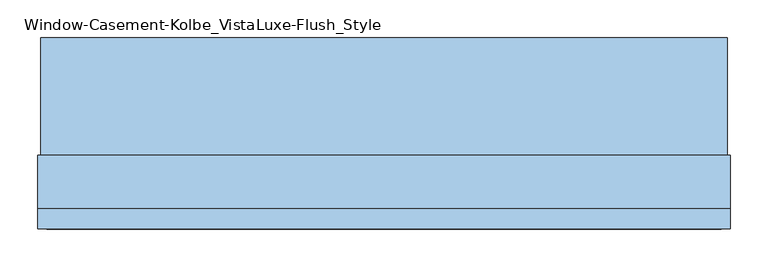
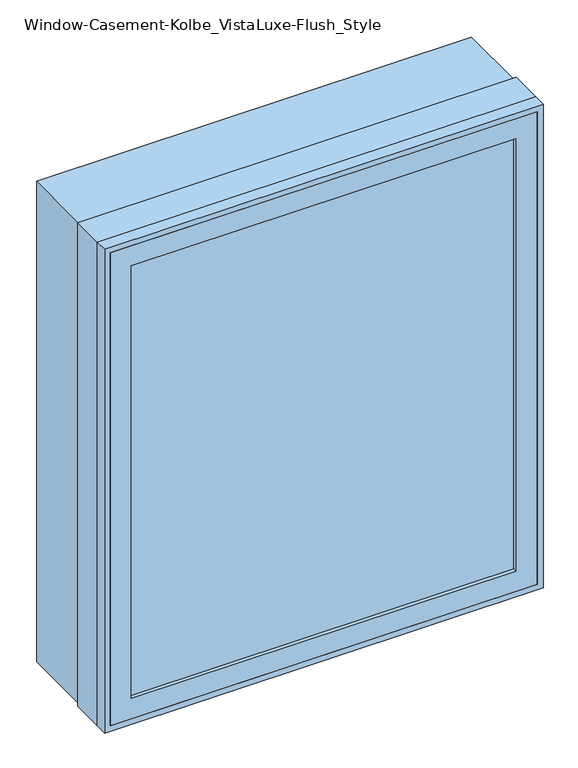
"""IFC4 building model written with IfcOpenShell, lengths in millimetres: window geometry, Window-Casement-Kolbe_VistaLuxe-Flush_Style."""

from ifc_helpers import new_model, si_unit, frame, origin, place, context, project, spatial, polyline, outline, extrude, faceted_brep, source, transform, mapped, element, save


def window_casement_kolbe_vistaluxe_flush_style_159678a5(model_context):
    return source(origin(), model_context, "Body", "SolidModel", [
        faceted_brep([(-406.4696599, -130.90398, 970.676875), (-406.4696599, -138.84148, 970.676875), (395.3765901, -138.84148, 970.676875), (395.3765901, -130.90398, 970.676875), (-422.3446599, -108.65358, 954.801875), (-422.3446599, -130.90398, 954.801875), (411.2515901, -130.90398, 954.801875), (411.2515901, -108.65358, 954.801875), (-406.4696599, -89.62898, 970.676875), (-406.4696599, -108.65358, 970.676875), (395.3765901, -108.65358, 970.676875), (395.3765901, -89.62898, 970.676875), (-450.9196599, -138.84148, 926.226875), (-450.9196599, -89.62898, 926.226875), (439.8265901, -89.62898, 926.226875), (439.8265901, -138.84148, 926.226875), (395.3765901, -138.84148, 1924.923125), (395.3765901, -130.90398, 1924.923125), (411.2515901, -130.90398, 1940.798125), (411.2515901, -108.65358, 1940.798125), (395.3765901, -108.65358, 1924.923125), (395.3765901, -89.62898, 1924.923125), (439.8265901, -89.62898, 1969.373125), (439.8265901, -138.84148, 1969.373125), (-406.4696599, -138.84148, 1924.923125), (-406.4696599, -130.90398, 1924.923125), (-422.3446599, -130.90398, 1940.798125), (-422.3446599, -108.65358, 1940.798125), (-406.4696599, -108.65358, 1924.923125), (-406.4696599, -89.62898, 1924.923125), (-450.9196599, -89.62898, 1969.373125), (-450.9196599, -138.84148, 1969.373125)], [[[0, 1, 2, 3]], [[4, 5, 6, 7]], [[8, 9, 10, 11]], [[12, 13, 14, 15]], [[3, 2, 16, 17]], [[7, 6, 18, 19]], [[11, 10, 20, 21]], [[15, 14, 22, 23]], [[17, 16, 24, 25]], [[19, 18, 26, 27]], [[21, 20, 28, 29]], [[23, 22, 30, 31]], [[25, 24, 1, 0]], [[5, 26, 18, 6], [3, 17, 25, 0]], [[27, 26, 5, 4]], [[7, 19, 27, 4], [9, 28, 20, 10]], [[29, 28, 9, 8]], [[13, 30, 22, 14], [11, 21, 29, 8]], [[31, 30, 13, 12]], [[15, 23, 31, 12], [1, 24, 16, 2]]]),
        extrude(outline(polyline([(1977.6186, 448.0720651), (1977.6186, -459.1651349), (917.9814, -459.1651349), (917.9814, 448.0720651), (1977.6186, 448.0720651)]), holes=[polyline([(936.545625, 429.5078401), (936.545625, -440.6009099), (1959.054375, -440.6009099), (1959.054375, 429.5078401), (936.545625, 429.5078401)])]), frame((0.0, -42.0497, 0.0), z_axis=(0.0, 1.0, 0.0), x_axis=(0.0, 0.0, 1.0)), (0.0, 0.0, 1.0), 154.7622),
        extrude(outline(polyline([(1981.2, -462.7465349), (914.4, -462.7465349), (914.4, 451.6534651), (1981.2, 451.6534651), (1981.2, -462.7465349)]), holes=[polyline([(1969.373125, 439.8265901), (926.226875, 439.8265901), (926.226875, -450.9196599), (1969.373125, -450.9196599), (1969.373125, 439.8265901)])]), frame((0.0, -139.6365, 0.0), z_axis=(0.0, 1.0, 0.0), x_axis=(0.0, 0.0, 1.0)), (0.0, 0.0, 1.0), 26.924),
        faceted_brep([(451.6534651, -42.0497, 914.4), (451.6534651, -112.7125, 914.4), (-462.7465349, -112.7125, 914.4), (-462.7465349, -42.0497, 914.4), (429.5078401, -89.63025, 936.545625), (429.5078401, -42.0497, 936.545625), (-440.6009099, -42.0497, 936.545625), (-440.6009099, -89.63025, 936.545625), (439.8265901, -112.7125, 926.226875), (439.8265901, -89.63025, 926.226875), (-450.9196599, -89.63025, 926.226875), (-450.9196599, -112.7125, 926.226875), (-462.7465349, -112.7125, 1981.2), (-462.7465349, -42.0497, 1981.2), (-440.6009099, -42.0497, 1959.054375), (-440.6009099, -89.63025, 1959.054375), (-450.9196599, -89.63025, 1969.373125), (-450.9196599, -112.7125, 1969.373125), (451.6534651, -112.7125, 1981.2), (451.6534651, -42.0497, 1981.2), (429.5078401, -42.0497, 1959.054375), (429.5078401, -89.63025, 1959.054375), (439.8265901, -89.63025, 1969.373125), (439.8265901, -112.7125, 1969.373125)], [[[0, 1, 2, 3]], [[4, 5, 6, 7]], [[8, 9, 10, 11]], [[3, 2, 12, 13]], [[7, 6, 14, 15]], [[11, 10, 16, 17]], [[13, 12, 18, 19]], [[15, 14, 20, 21]], [[17, 16, 22, 23]], [[19, 18, 1, 0]], [[3, 13, 19, 0], [5, 20, 14, 6]], [[21, 20, 5, 4]], [[9, 22, 16, 10], [7, 15, 21, 4]], [[23, 22, 9, 8]], [[1, 18, 12, 2], [11, 17, 23, 8]]]),
        extrude(outline(polyline([(408.0765901, -111.82858), (-419.1696599, -111.82858), (-419.1696599, -108.65358), (408.0765901, -108.65358), (408.0765901, -111.82858)])), frame((0.0, 0.0, 957.976875), z_axis=(0.0, 0.0, 1.0), x_axis=(1.0, 0.0, 0.0)), (0.0, 0.0, 1.0), 979.64625),
        extrude(outline(polyline([(408.0765901, -127.72898), (408.0765901, -130.90398), (-419.1696599, -130.90398), (-419.1696599, -127.72898), (408.0765901, -127.72898)])), frame((0.0, 0.0, 957.976875), z_axis=(0.0, 0.0, 1.0), x_axis=(1.0, 0.0, 0.0)), (0.0, 0.0, 1.0), 979.64625),
        extrude(outline(polyline([(936.545625, 429.5078401), (1959.054375, 429.5078401), (1959.054375, -440.6009099), (936.545625, -440.6009099), (936.545625, 429.5078401)]), holes=[polyline([(954.801875, -422.3446599), (1940.798125, -422.3446599), (1940.798125, 411.2515901), (954.801875, 411.2515901), (954.801875, -422.3446599)])]), frame((0.0, -89.63025, 0.0), z_axis=(0.0, 1.0, 0.0), x_axis=(0.0, 0.0, 1.0)), (0.0, 0.0, 1.0), 50.8),
    ])


if __name__ == "__main__":
    model = new_model("IFC4")
    model_context = context("Model", 3, world=origin())
    ifc_project = project(units=[si_unit("LENGTHUNIT", "METRE", prefix="MILLI")], contexts=[model_context])
    site = spatial("IfcSite", under=ifc_project)
    building = spatial("IfcBuilding", under=site)
    placement = place(None, origin())
    window_casement_kolbe_vistaluxe_flush_style_shape = window_casement_kolbe_vistaluxe_flush_style_159678a5(model_context)
    element("IfcWindow", 1, ObjectType="Window-Casement-Kolbe_VistaLuxe-Flush_Style", at=placement, inside=building, context=model_context, shape_type="MappedRepresentation", body=[
        mapped(window_casement_kolbe_vistaluxe_flush_style_shape, transform((0.0, 0.0, 0.0), x_axis=(1.0, 0.0, 0.0), y_axis=(0.0, 1.0, 0.0), z_axis=(0.0, 0.0, 1.0))),
    ])
    save(model, "model.ifc")
